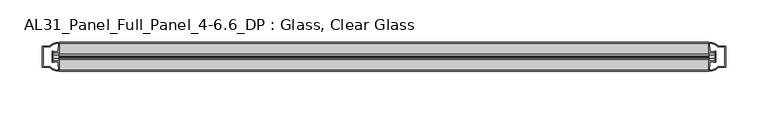
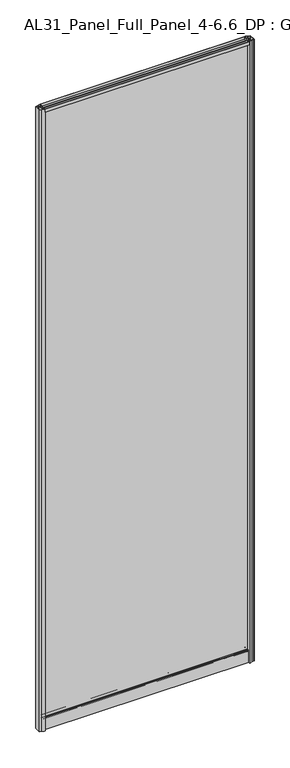
"""IFC4 building model written with IfcOpenShell, lengths in millimetres: plate geometry, AL31_Panel_Full_Panel_4-6.6_DP : Glass, Clear Glass."""

from ifc_helpers import new_model, si_unit, point, frame, frame_2d, origin, origin_with_axes, place, context, project, spatial, polyline, circle_curve, trimmed, segment, composite_curve, outline, extrude, source, transform, mapped, element, save


def al31_panel_full_panel_4_6_6_dp_glass_clear_glass_574a6948(model_context):
    return source(origin(), model_context, "Body", "SweptSolid", [
        extrude(outline(composite_curve([segment(trimmed(circle_curve(frame_2d((-19.957, 2461.8572926)), 3.0), [point((-18.457, 2464.4553688))], [point((-17.4851586, 2460.1572926))], False, "CARTESIAN"), True, "CONTINUOUS"), segment(polyline([(-17.4851586, 2460.1572926), (-4.157, 2460.1572926), (-4.157, 2469.5572926), (-2.857, 2469.5572926), (-2.857, 2459.0572926), (-13.1545312, 2459.0572926), (-13.1545312, 2458.2572926), (-13.6601218, 2456.3357964), (-13.6601218, 2451.6572926), (-14.857, 2451.6572926), (-14.857, 2456.9912672), (-14.357, 2457.8572926), (-14.357, 2459.0572926), (-25.357, 2459.0572926), (-25.357, 2457.8572926), (-24.857, 2456.9912672), (-24.857, 2451.6572926), (-26.0538782, 2451.6572926), (-26.0538782, 2456.3357964), (-26.5594688, 2458.2572926), (-26.5594688, 2459.0572926), (-36.857, 2459.0572926), (-36.857, 2469.5572926), (-35.557, 2469.5572926), (-35.557, 2460.1572926), (-22.4288414, 2460.1572926)]), True, "CONTINUOUS"), segment(trimmed(circle_curve(frame_2d((-19.957, 2461.8572926)), 3.0), [point((-22.4288414, 2460.1572926))], [point((-21.457, 2464.4553688))], False, "CARTESIAN"), True, "CONTINUOUS"), segment(polyline([(-21.457, 2464.4553688), (-20.907, 2463.5027409)]), True, "CONTINUOUS"), segment(trimmed(circle_curve(frame_2d((-19.957, 2461.8572926)), 1.9), [point((-20.907, 2463.5027409))], [point((-19.007, 2463.5027409))], True, "CARTESIAN"), True, "CONTINUOUS"), segment(polyline([(-19.007, 2463.5027409), (-18.457, 2464.4553688)]), True, "CONTINUOUS")], self_intersect=False)), frame((-383.2797292, 0.0, 0.0), z_axis=(1.0, 0.0, 0.0), x_axis=(0.0, 1.0, 0.0)), (0.0, 0.0, 1.0), 766.5594583),
        extrude(outline(composite_curve([segment(polyline([(-11.457, 35.8), (-28.257, 35.8)]), True, "CONTINUOUS"), segment(trimmed(circle_curve(frame_2d((-28.257, 34.8)), 1.0), [point((-28.257, 35.8))], [point((-29.257, 34.8))], True, "CARTESIAN"), True, "CONTINUOUS"), segment(polyline([(-29.257, 34.8), (-29.257, 33.5), (-24.8569697, 33.5), (-24.8569697, 32.3), (-29.257, 32.3), (-29.257, 0.0), (-30.457, 0.0), (-30.457, 47.3)]), True, "CONTINUOUS"), segment(trimmed(circle_curve(frame_2d((-28.457, 47.3)), 2.0), [point((-30.457, 47.3))], [point((-28.457, 49.3))], False, "CARTESIAN"), True, "CONTINUOUS"), segment(polyline([(-28.457, 49.3), (-24.857, 49.3), (-24.857, 41.9), (-14.857, 41.9), (-14.857, 49.3), (-11.257, 49.3)]), True, "CONTINUOUS"), segment(trimmed(circle_curve(frame_2d((-11.257, 47.3)), 2.0), [point((-11.257, 49.3))], [point((-9.257, 47.3))], False, "CARTESIAN"), True, "CONTINUOUS"), segment(polyline([(-9.257, 47.3), (-9.257, 0.0), (-10.457, 0.0), (-10.457, 32.3), (-14.8569697, 32.3), (-14.8569697, 33.5), (-10.457, 33.5), (-10.457, 34.8)]), True, "CONTINUOUS"), segment(trimmed(circle_curve(frame_2d((-11.457, 34.8)), 1.0), [point((-10.457, 34.8))], [point((-11.457, 35.8))], True, "CARTESIAN"), True, "CONTINUOUS")], self_intersect=False), holes=[composite_curve([segment(polyline([(-26.3594688, 41.8), (-26.3594688, 42.9)]), True, "CONTINUOUS"), segment(trimmed(circle_curve(frame_2d((-25.1594688, 42.9)), 1.2), [point((-26.3594688, 42.9))], [point((-25.9768184, 43.7786009))], False, "CARTESIAN"), True, "CONTINUOUS"), segment(polyline([(-25.9768184, 43.7786009), (-25.9768184, 48.2), (-28.257, 48.2)]), True, "CONTINUOUS"), segment(trimmed(circle_curve(frame_2d((-28.257, 47.2)), 1.0), [point((-28.257, 48.2))], [point((-29.257, 47.2))], True, "CARTESIAN"), True, "CONTINUOUS"), segment(polyline([(-29.257, 47.2), (-29.257, 37.04), (-22.6578965, 37.04), (-22.6578965, 38.0725806), (-21.6940508, 38.0725806)]), True, "CONTINUOUS"), segment(trimmed(circle_curve(frame_2d((-19.857, 39.1)), 2.1048387), [point((-21.6940508, 38.0725806))], [point((-18.0199492, 38.0725806))], True, "CARTESIAN"), True, "CONTINUOUS"), segment(polyline([(-18.0199492, 38.0725806), (-17.0561035, 38.0725806), (-17.0561035, 37.04), (-10.457, 37.04), (-10.457, 47.2)]), True, "CONTINUOUS"), segment(trimmed(circle_curve(frame_2d((-11.457, 47.2)), 1.0), [point((-10.457, 47.2))], [point((-11.457, 48.2))], True, "CARTESIAN"), True, "CONTINUOUS"), segment(polyline([(-11.457, 48.2), (-13.7371816, 48.2), (-13.7371816, 43.5786009)]), True, "CONTINUOUS"), segment(trimmed(circle_curve(frame_2d((-14.5545312, 42.7)), 1.2), [point((-13.7371816, 43.5786009))], [point((-13.3545312, 42.7))], False, "CARTESIAN"), True, "CONTINUOUS"), segment(polyline([(-13.3545312, 42.7), (-13.3545312, 41.8)]), True, "CONTINUOUS"), segment(trimmed(circle_curve(frame_2d((-14.3545312, 41.8)), 1.0), [point((-13.3545312, 41.8))], [point((-14.3545312, 40.8))], False, "CARTESIAN"), True, "CONTINUOUS"), segment(polyline([(-14.3545312, 40.8), (-17.0561035, 40.8), (-17.0561035, 39.7274194), (-18.0199492, 39.7274194)]), True, "CONTINUOUS"), segment(trimmed(circle_curve(frame_2d((-19.857, 38.7)), 2.1048387), [point((-18.0199492, 39.7274194))], [point((-21.6940508, 39.7274194))], True, "CARTESIAN"), True, "CONTINUOUS"), segment(polyline([(-21.6940508, 39.7274194), (-22.6578965, 39.7274194), (-22.6578965, 40.8), (-25.3594688, 40.8)]), True, "CONTINUOUS"), segment(trimmed(circle_curve(frame_2d((-25.3594688, 41.8)), 1.0), [point((-25.3594688, 40.8))], [point((-26.3594688, 41.8))], False, "CARTESIAN"), True, "CONTINUOUS")], self_intersect=False)]), frame((-383.2797292, 0.0, 0.0), z_axis=(1.0, 0.0, 0.0), x_axis=(0.0, 1.0, 0.0)), (0.0, 0.0, 1.0), 766.5594583),
        extrude(outline(composite_curve([segment(polyline([(-391.1211505, -25.757), (-389.9211505, -25.757), (-389.9211505, -24.857), (-383.2797292, -24.857), (-383.2797292, -36.8571453)]), True, "CONTINUOUS"), segment(trimmed(circle_curve(frame_2d((-382.9150776, -16.8604698)), 20.0), [point((-383.2797292, -36.8571453))], [point((-394.6355644, -33.0663388))], False, "CARTESIAN"), True, "CONTINUOUS"), segment(polyline([(-394.6355644, -33.0663388), (-394.6355644, -32.1849343), (-403.2797292, -32.1849343), (-403.2797292, -7.4849343), (-394.6355644, -7.4849343), (-394.6355644, -6.6474751)]), True, "CONTINUOUS"), segment(trimmed(circle_curve(frame_2d((-382.9150776, -22.8533441)), 20.0), [point((-394.6355644, -6.6474751))], [point((-383.2797292, -2.8566686))], False, "CARTESIAN"), True, "CONTINUOUS"), segment(polyline([(-383.2797292, -2.8566686), (-383.2797292, -14.857), (-389.9211505, -14.857), (-389.9211505, -13.957), (-391.1211505, -13.957), (-391.1211505, -25.757)]), True, "CONTINUOUS")], self_intersect=False), holes=[composite_curve([segment(trimmed(circle_curve(frame_2d((-390.1211505, -14.157)), 1.5), [point((-390.1211505, -12.657))], [point((-388.7658962, -13.5141269))], False, "CARTESIAN"), True, "CONTINUOUS"), segment(polyline([(-388.7658962, -13.5141269), (-385.0211505, -13.5141269), (-385.0211505, -8.917777), (-384.5818107, -7.8571168), (-384.5818107, -4.2070183)]), True, "CONTINUOUS"), segment(trimmed(circle_curve(frame_2d((-382.9150776, -22.8325921)), 18.7), [point((-384.5818107, -4.2070183))], [point((-392.9218553, -7.0353013))], True, "CARTESIAN"), True, "CONTINUOUS"), segment(trimmed(circle_curve(frame_2d((-394.7211505, -6.9849343)), 1.8), [point((-392.9218553, -7.0353013))], [point((-394.7211505, -8.7849343))], False, "CARTESIAN"), True, "CONTINUOUS"), segment(polyline([(-394.7211505, -8.7849343), (-401.8625718, -8.7849343), (-401.8625718, -13.3550394), (-401.4211505, -14.417777), (-401.4211505, -25.2520916), (-401.9211505, -26.2449987), (-401.9211505, -30.8849343), (-394.7211505, -30.8849343)]), True, "CONTINUOUS"), segment(trimmed(circle_curve(frame_2d((-394.7211505, -32.6849343)), 1.8), [point((-394.7211505, -30.8849343))], [point((-392.9218553, -32.6345673))], False, "CARTESIAN"), True, "CONTINUOUS"), segment(trimmed(circle_curve(frame_2d((-382.9150776, -16.8372765)), 18.7), [point((-392.9218553, -32.6345673))], [point((-384.5818107, -35.4628503))], True, "CARTESIAN"), True, "CONTINUOUS"), segment(polyline([(-384.5818107, -35.4628503), (-384.5818107, -31.8127518), (-385.0211505, -30.7520916), (-385.0211505, -26.1561308), (-388.7459988, -26.1561308)]), True, "CONTINUOUS"), segment(trimmed(circle_curve(frame_2d((-390.1211505, -25.557)), 1.5), [point((-388.7459988, -26.1561308))], [point((-390.1211505, -27.057))], False, "CARTESIAN"), True, "CONTINUOUS"), segment(polyline([(-390.1211505, -27.057), (-392.4211505, -27.057), (-392.4211505, -12.657), (-390.1211505, -12.657)]), True, "CONTINUOUS")], self_intersect=False)]), origin_with_axes(), (0.0, 0.0, 1.0), 2469.5572926),
        extrude(outline(composite_curve([segment(polyline([(391.1211505, -13.957), (389.9211505, -13.957), (389.9211505, -14.857), (383.2797292, -14.857), (383.2797292, -2.8568547)]), True, "CONTINUOUS"), segment(trimmed(circle_curve(frame_2d((382.9150776, -22.8535302)), 20.0), [point((383.2797292, -2.8568547))], [point((394.6355644, -6.6476612))], False, "CARTESIAN"), True, "CONTINUOUS"), segment(polyline([(394.6355644, -6.6476612), (394.6355644, -7.5290657), (403.2797292, -7.5290657), (403.2797292, -32.2290657), (394.6355644, -32.2290657), (394.6355644, -33.0665249)]), True, "CONTINUOUS"), segment(trimmed(circle_curve(frame_2d((382.9150776, -16.8606559)), 20.0), [point((394.6355644, -33.0665249))], [point((383.2797292, -36.8573314))], False, "CARTESIAN"), True, "CONTINUOUS"), segment(polyline([(383.2797292, -36.8573314), (383.2797292, -24.857), (389.9211505, -24.857), (389.9211505, -25.757), (391.1211505, -25.757), (391.1211505, -13.957)]), True, "CONTINUOUS")], self_intersect=False), holes=[composite_curve([segment(trimmed(circle_curve(frame_2d((390.1211505, -25.557)), 1.5), [point((390.1211505, -27.057))], [point((388.7658962, -26.1998731))], False, "CARTESIAN"), True, "CONTINUOUS"), segment(polyline([(388.7658962, -26.1998731), (385.0211505, -26.1998731), (385.0211505, -30.796223), (384.5818107, -31.8568832), (384.5818107, -35.5069817)]), True, "CONTINUOUS"), segment(trimmed(circle_curve(frame_2d((382.9150776, -16.8814079)), 18.7), [point((384.5818107, -35.5069817))], [point((392.9218553, -32.6786987))], True, "CARTESIAN"), True, "CONTINUOUS"), segment(trimmed(circle_curve(frame_2d((394.7211505, -32.7290657)), 1.8), [point((392.9218553, -32.6786987))], [point((394.7211505, -30.9290657))], False, "CARTESIAN"), True, "CONTINUOUS"), segment(polyline([(394.7211505, -30.9290657), (401.8625718, -30.9290657), (401.8625718, -26.3589606), (401.4211505, -25.296223), (401.4211505, -14.4619084), (401.9211505, -13.4690013), (401.9211505, -8.8290657), (394.7211505, -8.8290657)]), True, "CONTINUOUS"), segment(trimmed(circle_curve(frame_2d((394.7211505, -7.0290657)), 1.8), [point((394.7211505, -8.8290657))], [point((392.9218553, -7.0794327))], False, "CARTESIAN"), True, "CONTINUOUS"), segment(trimmed(circle_curve(frame_2d((382.9150776, -22.8767235)), 18.7), [point((392.9218553, -7.0794327))], [point((384.5818107, -4.2511497))], True, "CARTESIAN"), True, "CONTINUOUS"), segment(polyline([(384.5818107, -4.2511497), (384.5818107, -7.9012482), (385.0211505, -8.9619084), (385.0211505, -13.5578692), (388.7459988, -13.5578692)]), True, "CONTINUOUS"), segment(trimmed(circle_curve(frame_2d((390.1211505, -14.157)), 1.5), [point((388.7459988, -13.5578692))], [point((390.1211505, -12.657))], False, "CARTESIAN"), True, "CONTINUOUS"), segment(polyline([(390.1211505, -12.657), (392.4211505, -12.657), (392.4211505, -27.057), (390.1211505, -27.057)]), True, "CONTINUOUS")], self_intersect=False)]), origin_with_axes(), (0.0, 0.0, 1.0), 2469.5572926),
        extrude(outline(polyline([(391.1211505, -17.857), (391.1211505, -21.857), (-391.1211505, -21.857), (-391.1211505, -17.857), (391.1211505, -17.857)])), frame((0.0, 0.0, 41.9), z_axis=(0.0, 0.0, 1.0), x_axis=(1.0, 0.0, 0.0)), (0.0, 0.0, 1.0), 2417.1572926),
    ])


if __name__ == "__main__":
    model = new_model("IFC4")
    model_context = context("Model", 3, world=origin())
    ifc_project = project(units=[si_unit("LENGTHUNIT", "METRE", prefix="MILLI")], contexts=[model_context])
    site = spatial("IfcSite", under=ifc_project)
    building = spatial("IfcBuilding", under=site)
    placement = place(None, origin())
    al31_panel_full_panel_4_6_6_dp_glass_clear_glass_shape = al31_panel_full_panel_4_6_6_dp_glass_clear_glass_574a6948(model_context)
    element("IfcPlate", 1, ObjectType="AL31_Panel_Full_Panel_4-6.6_DP : Glass, Clear Glass", at=placement, inside=building, context=model_context, shape_type="MappedRepresentation", body=[
        mapped(al31_panel_full_panel_4_6_6_dp_glass_clear_glass_shape, transform((0.0, 0.0, 0.0), x_axis=(1.0, 0.0, 0.0), y_axis=(0.0, 1.0, 0.0), z_axis=(0.0, 0.0, 1.0))),
    ])
    save(model, "model.ifc")
